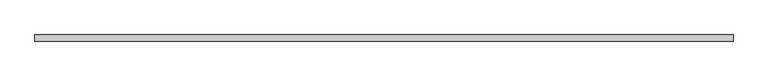
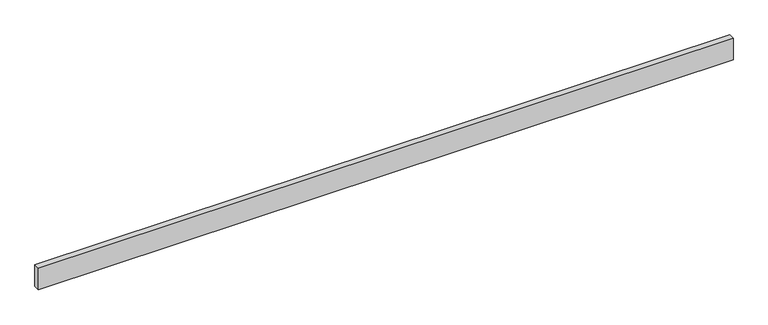
"""IFC4 building model written with IfcOpenShell, lengths in millimetres: beam geometry."""

from ifc_helpers import new_model, si_unit, frame, origin, place, context, project, spatial, polyline, outline, extrude, source, transform, mapped, element, save


def beam_6fd0bc7f(model_context):
    return source(origin(), model_context, "Body", "SweptSolid", [
        extrude(outline(polyline([(2163.7625, -19.05), (-2163.7625, -19.05), (-2163.7625, 19.05), (2163.7625, 19.05), (2163.7625, -19.05)])), frame((0.0, 0.0, -69.85), z_axis=(0.0, 0.0, 1.0), x_axis=(1.0, 0.0, 0.0)), (0.0, 0.0, 1.0), 139.7),
    ])


if __name__ == "__main__":
    model = new_model("IFC4")
    model_context = context("Model", 3, world=origin())
    ifc_project = project(units=[si_unit("LENGTHUNIT", "METRE", prefix="MILLI")], contexts=[model_context])
    site = spatial("IfcSite", under=ifc_project)
    building = spatial("IfcBuilding", under=site)
    placement = place(None, origin())
    beam_shape = beam_6fd0bc7f(model_context)
    element("IfcBeam", 1, at=placement, inside=building, context=model_context, shape_type="MappedRepresentation", body=[
        mapped(beam_shape, transform((0.0, 0.0, 0.0), x_axis=(1.0, 0.0, 0.0), y_axis=(0.0, 1.0, 0.0), z_axis=(0.0, 0.0, 1.0))),
    ])
    save(model, "model.ifc")
